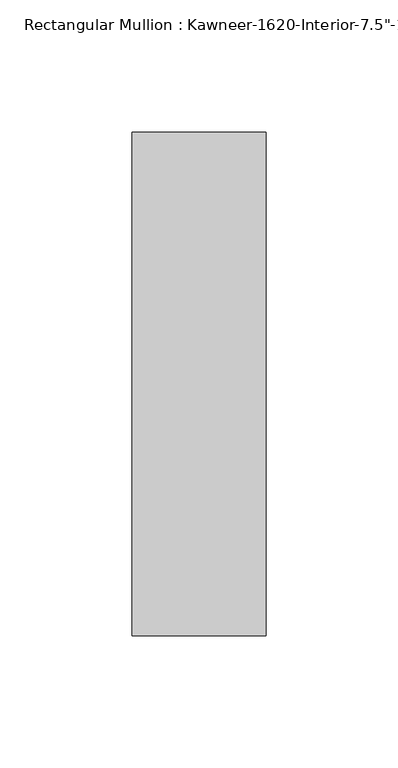
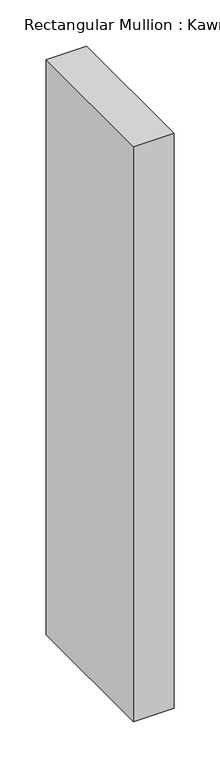
"""IFC4 building model written with IfcOpenShell, lengths in millimetres: member geometry."""

from ifc_helpers import new_model, si_unit, frame, origin, place, context, project, spatial, polyline, outline, extrude, source, transform, mapped, element, save


def member_d3456ab9(model_context):
    return source(origin(), model_context, "Body", "SweptSolid", [
        extrude(outline(polyline([(25.4, -161.925), (-25.4, -161.925), (-25.4, 28.575), (25.4, 28.575), (25.4, -161.925)])), frame((0.0, 0.0, -762.0), z_axis=(0.0, 0.0, 1.0), x_axis=(1.0, 0.0, 0.0)), (0.0, 0.0, 1.0), 762.0),
    ])


if __name__ == "__main__":
    model = new_model("IFC4")
    model_context = context("Model", 3, world=origin())
    ifc_project = project(units=[si_unit("LENGTHUNIT", "METRE", prefix="MILLI")], contexts=[model_context])
    site = spatial("IfcSite", under=ifc_project)
    building = spatial("IfcBuilding", under=site)
    placement = place(None, origin())
    member_shape = member_d3456ab9(model_context)
    element("IfcMember", 1, ObjectType="Rectangular Mullion : Kawneer-1620-Interior-7.5\"-1/4\"Infill", at=placement, inside=building, context=model_context, shape_type="MappedRepresentation", body=[
        mapped(member_shape, transform((0.0, 0.0, 0.0), x_axis=(1.0, 0.0, 0.0), y_axis=(0.0, 1.0, 0.0), z_axis=(0.0, 0.0, 1.0))),
    ])
    save(model, "model.ifc")
